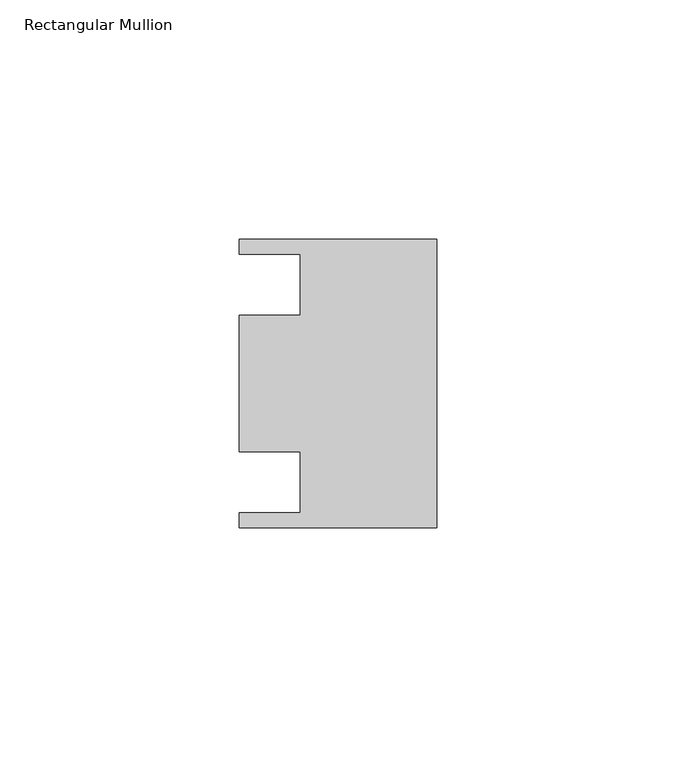
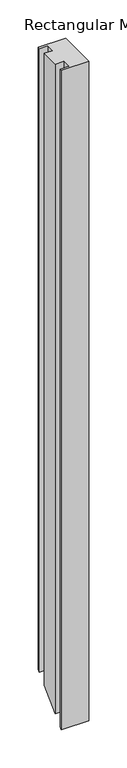
"""IFC4 building model written with IfcOpenShell, lengths in millimetres: member geometry, Rectangular Mullion."""

import ifcopenshell
import ifcopenshell.guid

model = None  # the IFC model being written
_history = None  # IfcOwnerHistory: only IFC2X3 demands one
_inside = {}  # id of a spatial element -> (the spatial element, [elements in it])
_under = {}  # id of a project, library or spatial element -> (it, [spatial elements below it])
_declared = {}  # id of a project -> (the project, [libraries it declares])
_typed = {}  # id of a type object -> (the type object, [elements of that type])
_made_of = {}  # id of a material, layer set ... -> (it, [elements and type objects made of it])


def new_model(schema):
    """Start an empty IFC model of exactly this schema.

    Asked for "IFC4X3", IfcOpenShell would pick the latest addendum, in which some entities
    have other attributes; the version numbers below select the first issue.
    IFC2X3 requires an IfcOwnerHistory on every rooted entity: one is made here for all.
    """
    global model, _history
    if schema == "IFC4X3":
        model = ifcopenshell.file(schema_version=(4, 3, 0, 0))
    else:
        model = ifcopenshell.file(schema=schema)
    _inside.clear()
    _under.clear()
    _declared.clear()
    _typed.clear()
    _made_of.clear()
    _history = None
    if model.schema == "IFC2X3":
        org = make("IfcOrganization", Name="unknown")
        user = make(
            "IfcPersonAndOrganization",
            ThePerson=make("IfcPerson", FamilyName="unknown"),
            TheOrganization=org,
        )
        app = make(
            "IfcApplication",
            ApplicationDeveloper=org,
            Version="unknown",
            ApplicationFullName="unknown",
            ApplicationIdentifier="unknown",
        )
        _history = make(
            "IfcOwnerHistory",
            OwningUser=user,
            OwningApplication=app,
            ChangeAction="ADDED",
            CreationDate=0,
        )
    return model


def make(cls, **values):
    """One entity of the class cls with the attributes given. An attribute that is None is left unset."""
    return model.create_entity(
        cls, **{name: value for name, value in values.items() if value is not None}
    )


def rooted(cls, **values):
    """An entity with a GlobalId (a new one), such as an element, a storey or a relation."""
    return make(cls, GlobalId=ifcopenshell.guid.new(), OwnerHistory=_history, **values)


def si_unit(unit_type, name, prefix=None):
    """IfcSIUnit, for example si_unit("LENGTHUNIT", "METRE", prefix="MILLI")."""
    return make("IfcSIUnit", UnitType=unit_type, Prefix=prefix, Name=name)


def assignment(units):
    """IfcUnitAssignment: the units of a project."""
    return None if units is None else make("IfcUnitAssignment", Units=units)


def point(xyz):
    """IfcCartesianPoint."""
    return None if xyz is None else make("IfcCartesianPoint", Coordinates=xyz)


def direction(xyz):
    """IfcDirection."""
    return None if xyz is None else make("IfcDirection", DirectionRatios=xyz)


def frame(location, z_axis=None, x_axis=None):
    """IfcAxis2Placement3D, a coordinate frame: its origin and axes. An axis left out is left unset."""
    return make(
        "IfcAxis2Placement3D",
        Location=point(location),
        Axis=direction(z_axis),
        RefDirection=direction(x_axis),
    )


def origin():
    """The frame at (0, 0, 0) with its axes left unset."""
    return frame((0.0, 0.0, 0.0))


def place(relative_to, where):
    """IfcLocalPlacement: puts the frame where relative to a parent placement (None: the world)."""
    return make(
        "IfcLocalPlacement", PlacementRelTo=relative_to, RelativePlacement=where
    )


def context(
    kind, dimensions, precision=None, world=None, true_north=None, identifier=None
):
    """IfcGeometricRepresentationContext, for example the 3D "Model" context."""
    return make(
        "IfcGeometricRepresentationContext",
        ContextIdentifier=identifier,
        ContextType=kind,
        CoordinateSpaceDimension=dimensions,
        Precision=precision,
        WorldCoordinateSystem=world,
        TrueNorth=true_north,
    )


def project(units=None, contexts=None):
    """IfcProject with its units and contexts."""
    return rooted(
        "IfcProject",
        Name="project",
        RepresentationContexts=contexts,
        UnitsInContext=assignment(units),
    )


def spatial(cls, under=None, at=None, **own):
    """A site, building, storey or space (cls), placed at a placement, below another one or the project."""
    s = rooted(cls, ObjectPlacement=at, **own)
    if under is not None:
        _under.setdefault(under.id(), (under, []))[1].append(s)
    return s


def faces_of(points, faces, orient=None, outer=None):
    """IfcFace entities. A face is a list of loops; a loop is a list of indices into points, from 0.

    orient and outer hold one flag for each loop. By default every Orientation is true, the
    first loop of a face is its IfcFaceOuterBound and the others are IfcFaceBound.
    """
    made = []
    for i, loops in enumerate(faces):
        bounds = []
        for j, loop in enumerate(loops):
            is_outer = j == 0 if outer is None else outer[i][j]
            bounds.append(
                make(
                    "IfcFaceOuterBound" if is_outer else "IfcFaceBound",
                    Bound=make("IfcPolyLoop", Polygon=[points[k] for k in loop]),
                    Orientation=True if orient is None else orient[i][j],
                )
            )
        made.append(make("IfcFace", Bounds=bounds))
    return made


def faceted_brep(points, faces, orient=None, outer=None, voids=None):
    """IfcFacetedBrep: a solid bounded by flat faces; with voids (closed shells), ...WithVoids."""
    shared = [point(p) for p in points]
    hull = make("IfcClosedShell", CfsFaces=faces_of(shared, faces, orient, outer))
    if voids is None:
        return make("IfcFacetedBrep", Outer=hull)
    return make(
        "IfcFacetedBrepWithVoids",
        Outer=hull,
        Voids=[
            make(cls, CfsFaces=faces_of(shared, fs, o, b)) for cls, fs, o, b in voids
        ],
    )


def shape(context_of_items, identifier, shape_type, items):
    """IfcShapeRepresentation: the items that make up one representation, for example the "Body"."""
    return make(
        "IfcShapeRepresentation",
        ContextOfItems=context_of_items,
        RepresentationIdentifier=identifier,
        RepresentationType=shape_type,
        Items=items,
    )


def source(mapping_origin, context_of_items, identifier, shape_type, items):
    """IfcRepresentationMap: a shape defined once, which mapped items show again and again."""
    return make(
        "IfcRepresentationMap",
        MappingOrigin=mapping_origin,
        MappedRepresentation=shape(context_of_items, identifier, shape_type, items),
    )


def transform(
    local_origin,
    x_axis=None,
    y_axis=None,
    z_axis=None,
    scale=None,
    scale2=None,
    scale3=None,
    uniform=True,
):
    """IfcCartesianTransformationOperator3D, or its non-uniform kind. x_axis, y_axis, z_axis: its Axis1, 2, 3."""
    if uniform:
        return make(
            "IfcCartesianTransformationOperator3D",
            Axis1=direction(x_axis),
            Axis2=direction(y_axis),
            LocalOrigin=point(local_origin),
            Scale=scale,
            Axis3=direction(z_axis),
        )
    return make(
        "IfcCartesianTransformationOperator3DnonUniform",
        Axis1=direction(x_axis),
        Axis2=direction(y_axis),
        LocalOrigin=point(local_origin),
        Scale=scale,
        Axis3=direction(z_axis),
        Scale2=scale2,
        Scale3=scale3,
    )


def mapped(mapping_source, mapping_target):
    """IfcMappedItem: shows the shape of a source again, moved by a transform."""
    return make(
        "IfcMappedItem", MappingSource=mapping_source, MappingTarget=mapping_target
    )


def made_of(thing, what):
    """Note that an element or type object is made of a material, layer set ...; save() writes the relation."""
    if what is not None:
        _made_of.setdefault(what.id(), (what, []))[1].append(thing)
    return thing


def element(
    cls,
    number,
    at=None,
    inside=None,
    cuts=None,
    type_object=None,
    material=None,
    context=None,
    identifier="Body",
    shape_type=None,
    held_by="IfcProductDefinitionShape",
    body=None,
    shapes=None,
    **own,
):
    """One element of the class cls, such as IfcWall. Its Tag is "e" and its number.

    at: its placement. inside: the storey or other place that contains it. cuts: it is an
    opening in that element (IfcRelVoidsElement). A single representation is given by context,
    identifier, shape_type and body (its items); several are given by shapes. held_by: the class
    of the entity that holds the representations. save() writes the other relations.
    """
    e = rooted(cls, Tag="e%d" % number, ObjectPlacement=at, **own)
    if body is not None:
        shapes = [shape(context, identifier, shape_type, body)]
    if shapes is not None:
        e.Representation = make(held_by, Representations=shapes)
    if inside is not None:
        _inside.setdefault(inside.id(), (inside, []))[1].append(e)
    if cuts is not None:
        rooted(
            "IfcRelVoidsElement", RelatingBuildingElement=cuts, RelatedOpeningElement=e
        )
    if type_object is not None:
        _typed.setdefault(type_object.id(), (type_object, []))[1].append(e)
    return made_of(e, material)


def aggregate(whole, parts):
    """IfcRelAggregates: a whole, such as a stair, and the parts it consists of."""
    return rooted("IfcRelAggregates", RelatingObject=whole, RelatedObjects=parts)


def save(model, path):
    """Write the relations noted so far, then the file.

    IfcRelAggregates (storeys below a building ...), IfcRelContainedInSpatialStructure (elements
    in a storey), IfcRelDefinesByType, IfcRelAssociatesMaterial and IfcRelDeclares: one each for
    every whole, place, type object, material and project.
    """
    for whole, parts in _under.values():
        aggregate(whole, parts)
    for where, things in _inside.values():
        rooted(
            "IfcRelContainedInSpatialStructure",
            RelatedElements=things,
            RelatingStructure=where,
        )
    for kind, things in _typed.values():
        rooted("IfcRelDefinesByType", RelatedObjects=things, RelatingType=kind)
    for what, things in _made_of.values():
        rooted("IfcRelAssociatesMaterial", RelatedObjects=things, RelatingMaterial=what)
    for by, libraries in _declared.values():
        rooted("IfcRelDeclares", RelatingContext=by, RelatedDefinitions=libraries)
    model.write(path)


def rectangular_mullion_fed64a5b(model_context):
    return source(origin(), model_context, "Body", "Brep", [
        faceted_brep([(0.0, -30.1625, 0.0), (0.0, 30.1625, 0.0), (-41.275, 30.1625, 0.0), (-41.275, 26.9875, 0.0), (-28.575, 26.9875, 0.0), (-28.575, 14.2875, 0.0), (-41.275, 14.2875, 0.0), (-41.275, -14.2875, 0.0), (-28.575, -14.2875, 0.0), (-28.575, -26.9875, 0.0), (-41.275, -26.9875, 0.0), (-41.275, -30.1625, 0.0), (0.0, -30.1625, -1052.5125), (0.0, 30.1625, -992.1875), (-41.275, 30.1625, -992.1875), (-41.275, 26.9875, -995.3625), (-28.575, 26.9875, -995.3625), (-28.575, 14.2875, -1008.0625), (-41.275, 14.2875, -1008.0625), (-41.275, -14.2875, -1036.6375), (-28.575, -14.2875, -1036.6375), (-28.575, -26.9875, -1049.3375), (-41.275, -26.9875, -1049.3375), (-41.275, -30.1625, -1052.5125)], [[[0, 1, 2, 3, 4, 5, 6, 7, 8, 9, 10, 11]], [[1, 0, 12, 13]], [[2, 1, 13, 14]], [[3, 2, 14, 15]], [[4, 3, 15, 16]], [[5, 4, 16, 17]], [[6, 5, 17, 18]], [[7, 6, 18, 19]], [[8, 7, 19, 20]], [[9, 8, 20, 21]], [[10, 9, 21, 22]], [[11, 10, 22, 23]], [[0, 11, 23, 12]], [[12, 23, 22, 21, 20, 19, 18, 17, 16, 15, 14, 13]]]),
    ])


if __name__ == "__main__":
    model = new_model("IFC4")
    model_context = context("Model", 3, world=origin())
    ifc_project = project(units=[si_unit("LENGTHUNIT", "METRE", prefix="MILLI")], contexts=[model_context])
    site = spatial("IfcSite", under=ifc_project)
    building = spatial("IfcBuilding", under=site)
    placement = place(None, origin())
    rectangular_mullion_shape = rectangular_mullion_fed64a5b(model_context)
    element("IfcMember", 1, ObjectType="Rectangular Mullion", at=placement, inside=building, context=model_context, shape_type="MappedRepresentation", body=[
        mapped(rectangular_mullion_shape, transform((0.0, 0.0, 0.0), x_axis=(1.0, 0.0, 0.0), y_axis=(0.0, 1.0, 0.0), z_axis=(0.0, 0.0, 1.0))),
    ])
    save(model, "model.ifc")
